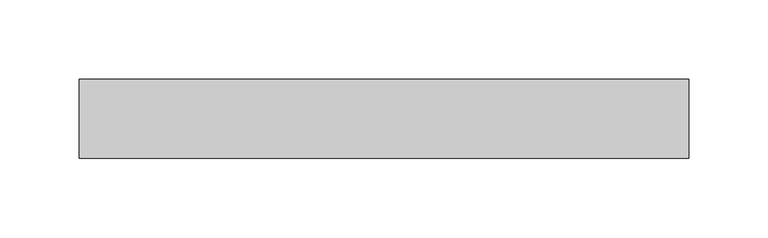
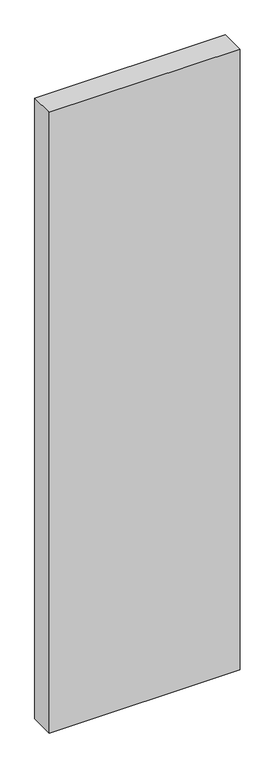
"""IFC4 building model written with IfcOpenShell, lengths in millimetres: plate geometry."""

from ifc_helpers import new_model, si_unit, origin, origin_with_axes, place, context, project, spatial, polyline, outline, extrude, source, transform, mapped, element, save


def plate_20944b83(model_context):
    return source(origin(), model_context, "Body", "SweptSolid", [
        extrude(outline(polyline([(192.7252644, -25.0), (-192.7252644, -25.0), (-192.7252644, 25.0), (192.7252644, 25.0), (192.7252644, -25.0)])), origin_with_axes(), (0.0, 0.0, 1.0), 1325.0),
    ])


if __name__ == "__main__":
    model = new_model("IFC4")
    model_context = context("Model", 3, world=origin())
    ifc_project = project(units=[si_unit("LENGTHUNIT", "METRE", prefix="MILLI")], contexts=[model_context])
    site = spatial("IfcSite", under=ifc_project)
    building = spatial("IfcBuilding", under=site)
    placement = place(None, origin())
    plate_shape = plate_20944b83(model_context)
    element("IfcPlate", 1, at=placement, inside=building, context=model_context, shape_type="MappedRepresentation", body=[
        mapped(plate_shape, transform((0.0, 0.0, 0.0), x_axis=(1.0, 0.0, 0.0), y_axis=(0.0, 1.0, 0.0), z_axis=(0.0, 0.0, 1.0))),
    ])
    save(model, "model.ifc")
